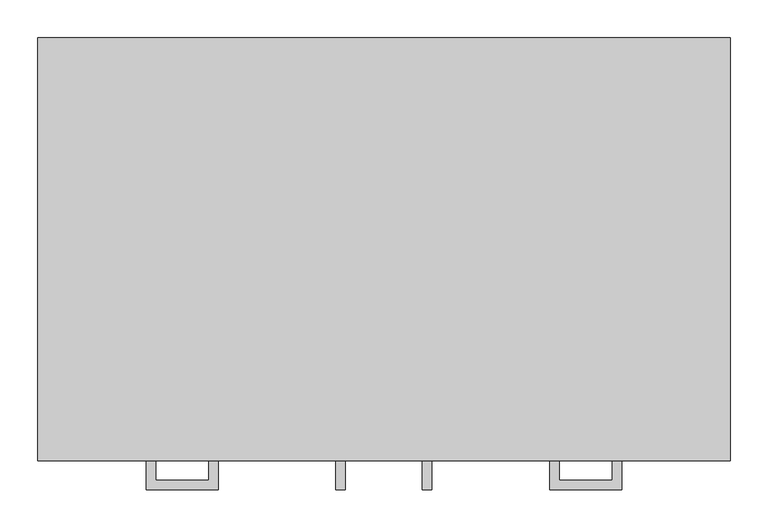
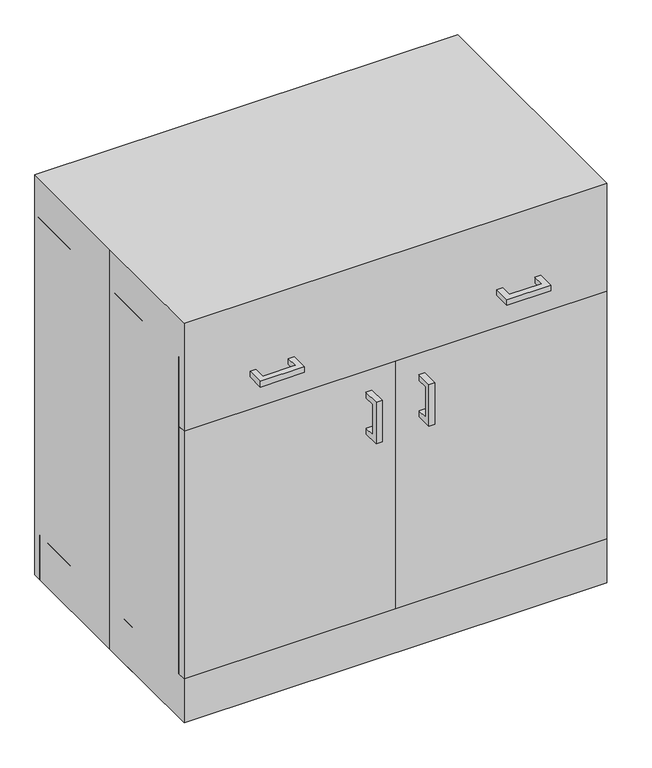
"""IFC4 building model written with IfcOpenShell, lengths in millimetres: proxy geometry."""

import ifcopenshell
import ifcopenshell.guid

model = None  # the IFC model being written
_history = None  # IfcOwnerHistory: only IFC2X3 demands one
_inside = {}  # id of a spatial element -> (the spatial element, [elements in it])
_under = {}  # id of a project, library or spatial element -> (it, [spatial elements below it])
_declared = {}  # id of a project -> (the project, [libraries it declares])
_typed = {}  # id of a type object -> (the type object, [elements of that type])
_made_of = {}  # id of a material, layer set ... -> (it, [elements and type objects made of it])


def new_model(schema):
    """Start an empty IFC model of exactly this schema.

    Asked for "IFC4X3", IfcOpenShell would pick the latest addendum, in which some entities
    have other attributes; the version numbers below select the first issue.
    IFC2X3 requires an IfcOwnerHistory on every rooted entity: one is made here for all.
    """
    global model, _history
    if schema == "IFC4X3":
        model = ifcopenshell.file(schema_version=(4, 3, 0, 0))
    else:
        model = ifcopenshell.file(schema=schema)
    _inside.clear()
    _under.clear()
    _declared.clear()
    _typed.clear()
    _made_of.clear()
    _history = None
    if model.schema == "IFC2X3":
        org = make("IfcOrganization", Name="unknown")
        user = make(
            "IfcPersonAndOrganization",
            ThePerson=make("IfcPerson", FamilyName="unknown"),
            TheOrganization=org,
        )
        app = make(
            "IfcApplication",
            ApplicationDeveloper=org,
            Version="unknown",
            ApplicationFullName="unknown",
            ApplicationIdentifier="unknown",
        )
        _history = make(
            "IfcOwnerHistory",
            OwningUser=user,
            OwningApplication=app,
            ChangeAction="ADDED",
            CreationDate=0,
        )
    return model


def make(cls, **values):
    """One entity of the class cls with the attributes given. An attribute that is None is left unset."""
    return model.create_entity(
        cls, **{name: value for name, value in values.items() if value is not None}
    )


def rooted(cls, **values):
    """An entity with a GlobalId (a new one), such as an element, a storey or a relation."""
    return make(cls, GlobalId=ifcopenshell.guid.new(), OwnerHistory=_history, **values)


def si_unit(unit_type, name, prefix=None):
    """IfcSIUnit, for example si_unit("LENGTHUNIT", "METRE", prefix="MILLI")."""
    return make("IfcSIUnit", UnitType=unit_type, Prefix=prefix, Name=name)


def assignment(units):
    """IfcUnitAssignment: the units of a project."""
    return None if units is None else make("IfcUnitAssignment", Units=units)


def point(xyz):
    """IfcCartesianPoint."""
    return None if xyz is None else make("IfcCartesianPoint", Coordinates=xyz)


def direction(xyz):
    """IfcDirection."""
    return None if xyz is None else make("IfcDirection", DirectionRatios=xyz)


def frame(location, z_axis=None, x_axis=None):
    """IfcAxis2Placement3D, a coordinate frame: its origin and axes. An axis left out is left unset."""
    return make(
        "IfcAxis2Placement3D",
        Location=point(location),
        Axis=direction(z_axis),
        RefDirection=direction(x_axis),
    )


def origin():
    """The frame at (0, 0, 0) with its axes left unset."""
    return frame((0.0, 0.0, 0.0))


def origin_with_axes():
    """The frame at (0, 0, 0) with the z axis (0, 0, 1) and the x axis (1, 0, 0) written out."""
    return frame((0.0, 0.0, 0.0), z_axis=(0.0, 0.0, 1.0), x_axis=(1.0, 0.0, 0.0))


def place(relative_to, where):
    """IfcLocalPlacement: puts the frame where relative to a parent placement (None: the world)."""
    return make(
        "IfcLocalPlacement", PlacementRelTo=relative_to, RelativePlacement=where
    )


def context(
    kind, dimensions, precision=None, world=None, true_north=None, identifier=None
):
    """IfcGeometricRepresentationContext, for example the 3D "Model" context."""
    return make(
        "IfcGeometricRepresentationContext",
        ContextIdentifier=identifier,
        ContextType=kind,
        CoordinateSpaceDimension=dimensions,
        Precision=precision,
        WorldCoordinateSystem=world,
        TrueNorth=true_north,
    )


def project(units=None, contexts=None):
    """IfcProject with its units and contexts."""
    return rooted(
        "IfcProject",
        Name="project",
        RepresentationContexts=contexts,
        UnitsInContext=assignment(units),
    )


def spatial(cls, under=None, at=None, **own):
    """A site, building, storey or space (cls), placed at a placement, below another one or the project."""
    s = rooted(cls, ObjectPlacement=at, **own)
    if under is not None:
        _under.setdefault(under.id(), (under, []))[1].append(s)
    return s


def polyline(points):
    """IfcPolyline through the points."""
    return make("IfcPolyline", Points=[point(p) for p in points])


def outline(outer, holes=None, kind="AREA"):
    """IfcArbitraryClosedProfileDef: a profile drawn as a closed curve; with holes, ...WithVoids."""
    if holes is None:
        return make("IfcArbitraryClosedProfileDef", ProfileType=kind, OuterCurve=outer)
    return make(
        "IfcArbitraryProfileDefWithVoids",
        ProfileType=kind,
        OuterCurve=outer,
        InnerCurves=holes,
    )


def extrude(swept, where, along, depth):
    """IfcExtrudedAreaSolid: the profile swept, set in the frame where, extruded along a direction by depth."""
    return make(
        "IfcExtrudedAreaSolid",
        SweptArea=swept,
        Position=where,
        ExtrudedDirection=direction(along),
        Depth=depth,
    )


def shape(context_of_items, identifier, shape_type, items):
    """IfcShapeRepresentation: the items that make up one representation, for example the "Body"."""
    return make(
        "IfcShapeRepresentation",
        ContextOfItems=context_of_items,
        RepresentationIdentifier=identifier,
        RepresentationType=shape_type,
        Items=items,
    )


def source(mapping_origin, context_of_items, identifier, shape_type, items):
    """IfcRepresentationMap: a shape defined once, which mapped items show again and again."""
    return make(
        "IfcRepresentationMap",
        MappingOrigin=mapping_origin,
        MappedRepresentation=shape(context_of_items, identifier, shape_type, items),
    )


def transform(
    local_origin,
    x_axis=None,
    y_axis=None,
    z_axis=None,
    scale=None,
    scale2=None,
    scale3=None,
    uniform=True,
):
    """IfcCartesianTransformationOperator3D, or its non-uniform kind. x_axis, y_axis, z_axis: its Axis1, 2, 3."""
    if uniform:
        return make(
            "IfcCartesianTransformationOperator3D",
            Axis1=direction(x_axis),
            Axis2=direction(y_axis),
            LocalOrigin=point(local_origin),
            Scale=scale,
            Axis3=direction(z_axis),
        )
    return make(
        "IfcCartesianTransformationOperator3DnonUniform",
        Axis1=direction(x_axis),
        Axis2=direction(y_axis),
        LocalOrigin=point(local_origin),
        Scale=scale,
        Axis3=direction(z_axis),
        Scale2=scale2,
        Scale3=scale3,
    )


def mapped(mapping_source, mapping_target):
    """IfcMappedItem: shows the shape of a source again, moved by a transform."""
    return make(
        "IfcMappedItem", MappingSource=mapping_source, MappingTarget=mapping_target
    )


def made_of(thing, what):
    """Note that an element or type object is made of a material, layer set ...; save() writes the relation."""
    if what is not None:
        _made_of.setdefault(what.id(), (what, []))[1].append(thing)
    return thing


def element(
    cls,
    number,
    at=None,
    inside=None,
    cuts=None,
    type_object=None,
    material=None,
    context=None,
    identifier="Body",
    shape_type=None,
    held_by="IfcProductDefinitionShape",
    body=None,
    shapes=None,
    **own,
):
    """One element of the class cls, such as IfcWall. Its Tag is "e" and its number.

    at: its placement. inside: the storey or other place that contains it. cuts: it is an
    opening in that element (IfcRelVoidsElement). A single representation is given by context,
    identifier, shape_type and body (its items); several are given by shapes. held_by: the class
    of the entity that holds the representations. save() writes the other relations.
    """
    e = rooted(cls, Tag="e%d" % number, ObjectPlacement=at, **own)
    if body is not None:
        shapes = [shape(context, identifier, shape_type, body)]
    if shapes is not None:
        e.Representation = make(held_by, Representations=shapes)
    if inside is not None:
        _inside.setdefault(inside.id(), (inside, []))[1].append(e)
    if cuts is not None:
        rooted(
            "IfcRelVoidsElement", RelatingBuildingElement=cuts, RelatedOpeningElement=e
        )
    if type_object is not None:
        _typed.setdefault(type_object.id(), (type_object, []))[1].append(e)
    return made_of(e, material)


def aggregate(whole, parts):
    """IfcRelAggregates: a whole, such as a stair, and the parts it consists of."""
    return rooted("IfcRelAggregates", RelatingObject=whole, RelatedObjects=parts)


def save(model, path):
    """Write the relations noted so far, then the file.

    IfcRelAggregates (storeys below a building ...), IfcRelContainedInSpatialStructure (elements
    in a storey), IfcRelDefinesByType, IfcRelAssociatesMaterial and IfcRelDeclares: one each for
    every whole, place, type object, material and project.
    """
    for whole, parts in _under.values():
        aggregate(whole, parts)
    for where, things in _inside.values():
        rooted(
            "IfcRelContainedInSpatialStructure",
            RelatedElements=things,
            RelatingStructure=where,
        )
    for kind, things in _typed.values():
        rooted("IfcRelDefinesByType", RelatedObjects=things, RelatingType=kind)
    for what, things in _made_of.values():
        rooted("IfcRelAssociatesMaterial", RelatedObjects=things, RelatingMaterial=what)
    for by, libraries in _declared.values():
        rooted("IfcRelDeclares", RelatingContext=by, RelatedDefinitions=libraries)
    model.write(path)


def specialty_equipment_0dc6ae27(model_context):
    return source(origin(), model_context, "Body", "SweptSolid", [
        extrude(outline(polyline([(0.0, -279.4), (-457.2, -279.4), (-457.2, -260.35), (0.0, -260.35), (0.0, -279.4)])), frame((0.0, 0.0, 101.6), z_axis=(0.0, 0.0, 1.0), x_axis=(1.0, 0.0, 0.0)), (0.0, 0.0, 1.0), 565.15),
        extrude(outline(polyline([(-314.325, -317.5), (-314.325, -279.4), (-301.6409299, -279.4), (-301.6409299, -304.8159299), (-231.7590701, -304.8159299), (-231.7590701, -279.4), (-219.075, -279.4), (-219.075, -317.5), (-314.325, -317.5)])), frame((0.0, 0.0, 741.3462383), z_axis=(0.0, 0.0, 1.0), x_axis=(1.0, 0.0, 0.0)), (0.0, 0.0, 1.0), 12.7),
        extrude(outline(polyline([(314.325, -317.5), (219.075, -317.5), (219.075, -279.4), (231.7590701, -279.4), (231.7590701, -304.8159299), (301.6409299, -304.8159299), (301.6409299, -279.4), (314.325, -279.4), (314.325, -317.5)])), frame((0.0, 0.0, 741.3462383), z_axis=(0.0, 0.0, 1.0), x_axis=(1.0, 0.0, 0.0)), (0.0, 0.0, 1.0), 12.7),
        extrude(outline(polyline([(457.2, -279.4), (0.0, -279.4), (0.0, -260.35), (457.2, -260.35), (457.2, -279.4)])), frame((0.0, 0.0, 101.6), z_axis=(0.0, 0.0, 1.0), x_axis=(1.0, 0.0, 0.0)), (0.0, 0.0, 1.0), 565.15),
        extrude(outline(polyline([(-317.5, 523.8560937), (-317.5, 619.1060937), (-279.4, 619.1060937), (-279.4, 606.4220236), (-304.8159299, 606.4220236), (-304.8159299, 536.5401637), (-279.4, 536.5401637), (-279.4, 523.8560937), (-317.5, 523.8560937)])), frame((50.5065288, 0.0, 0.0), z_axis=(1.0, 0.0, 0.0), x_axis=(0.0, 1.0, 0.0)), (0.0, 0.0, 1.0), 12.7),
        extrude(outline(polyline([(-317.5, 523.8560937), (-317.5, 619.1060937), (-279.4, 619.1060937), (-279.4, 606.4220236), (-304.8159299, 606.4220236), (-304.8159299, 536.5401637), (-279.4, 536.5401637), (-279.4, 523.8560937), (-317.5, 523.8560937)])), frame((-63.7934712, 0.0, 0.0), z_axis=(1.0, 0.0, 0.0), x_axis=(0.0, 1.0, 0.0)), (0.0, 0.0, 1.0), 12.7),
        extrude(outline(polyline([(-457.2, 279.4), (457.2, 279.4), (457.2, -279.4), (-457.2, -279.4), (-457.2, 0.0), (-457.2, 279.4)])), origin_with_axes(), (0.0, 0.0, 1.0), 914.4),
        extrude(outline(polyline([(-457.2, -203.2), (-457.2, 260.35), (-438.15, 260.35), (-438.15, -203.2), (-457.2, -203.2)])), origin_with_axes(), (0.0, 0.0, 1.0), 101.6),
        extrude(outline(polyline([(438.15, -203.2), (438.15, 260.35), (457.2, 260.35), (457.2, -203.2), (438.15, -203.2)])), origin_with_axes(), (0.0, 0.0, 1.0), 101.6),
        extrude(outline(polyline([(438.15, -260.35), (438.15, 279.4), (457.2, 279.4), (457.2, -260.35), (438.15, -260.35)])), frame((0.0, 0.0, 101.6), z_axis=(0.0, 0.0, 1.0), x_axis=(1.0, 0.0, 0.0)), (0.0, 0.0, 1.0), 723.8674767),
        extrude(outline(polyline([(-457.2, -260.35), (-457.2, 279.4), (-438.15, 279.4), (-438.15, -260.35), (-457.2, -260.35)])), frame((0.0, 0.0, 101.6), z_axis=(0.0, 0.0, 1.0), x_axis=(1.0, 0.0, 0.0)), (0.0, 0.0, 1.0), 723.8674767),
        extrude(outline(polyline([(457.2, -279.4), (0.0, -279.4), (0.0, -260.35), (457.2, -260.35), (457.2, -279.4)])), frame((0.0, 0.0, 673.0674767), z_axis=(0.0, 0.0, 1.0), x_axis=(1.0, 0.0, 0.0)), (0.0, 0.0, 1.0), 152.4),
        extrude(outline(polyline([(0.0, -279.4), (-457.2, -279.4), (-457.2, -260.35), (0.0, -260.35), (0.0, -279.4)])), frame((0.0, 0.0, 673.0674767), z_axis=(0.0, 0.0, 1.0), x_axis=(1.0, 0.0, 0.0)), (0.0, 0.0, 1.0), 152.4),
        extrude(outline(polyline([(438.15, -203.2), (-438.15, -203.2), (-438.15, -184.15), (438.15, -184.15), (438.15, -203.2)])), origin_with_axes(), (0.0, 0.0, 1.0), 101.6),
        extrude(outline(polyline([(457.2, 260.35), (-457.2, 260.35), (-457.2, 279.4), (457.2, 279.4), (457.2, 260.35)])), origin_with_axes(), (0.0, 0.0, 1.0), 101.6),
        extrude(outline(polyline([(438.15, 260.35), (438.15, -260.35), (-438.15, -260.35), (-438.15, 260.35), (438.15, 260.35)])), frame((0.0, 0.0, 101.6), z_axis=(0.0, 0.0, 1.0), x_axis=(1.0, 0.0, 0.0)), (0.0, 0.0, 1.0), 19.1166954),
        extrude(outline(polyline([(438.15, 260.35), (-438.15, 260.35), (-438.15, 279.4), (438.15, 279.4), (438.15, 260.35)])), frame((0.0, 0.0, 101.6), z_axis=(0.0, 0.0, 1.0), x_axis=(1.0, 0.0, 0.0)), (0.0, 0.0, 1.0), 704.8174767),
    ])


if __name__ == "__main__":
    model = new_model("IFC4")
    model_context = context("Model", 3, world=origin())
    ifc_project = project(units=[si_unit("LENGTHUNIT", "METRE", prefix="MILLI")], contexts=[model_context])
    site = spatial("IfcSite", under=ifc_project)
    building = spatial("IfcBuilding", under=site)
    placement = place(None, origin())
    specialty_equipment_shape = specialty_equipment_0dc6ae27(model_context)
    element("IfcBuildingElementProxy", 1, Name="Specialty Equipment", at=placement, inside=building, context=model_context, shape_type="MappedRepresentation", body=[
        mapped(specialty_equipment_shape, transform((0.0, 0.0, 0.0), x_axis=(1.0, 0.0, 0.0), y_axis=(0.0, 1.0, 0.0), z_axis=(0.0, 0.0, 1.0))),
    ])
    save(model, "model.ifc")
